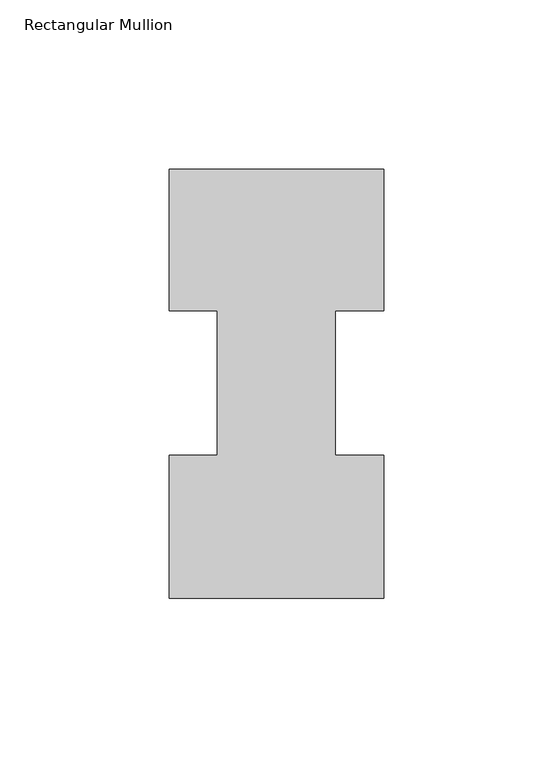
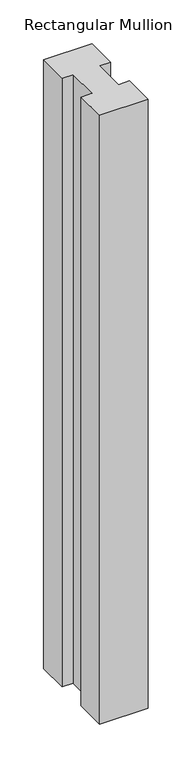
"""IFC4 building model written with IfcOpenShell, lengths in millimetres: member geometry, Rectangular Mullion."""

from ifc_helpers import new_model, si_unit, frame, origin, place, context, project, spatial, polyline, outline, extrude, source, transform, mapped, element, save


def rectangular_mullion_286bac2f(model_context):
    return source(origin(), model_context, "Body", "SweptSolid", [
        extrude(outline(polyline([(-31.75, 6.6365438), (-31.75, 48.9275438), (-17.4625, 48.9275438), (-17.4625, 91.7773438), (-31.75, 91.7773438), (-31.75, 133.6365438), (31.75, 133.6365438), (31.75, 91.7773438), (17.4625, 91.7773438), (17.4625, 48.9275438), (31.75, 48.9275438), (31.75, 6.6365438), (-31.75, 6.6365438)])), frame((0.0, 0.0, -844.55), z_axis=(0.0, 0.0, 1.0), x_axis=(1.0, 0.0, 0.0)), (0.0, 0.0, 1.0), 844.55),
    ])


if __name__ == "__main__":
    model = new_model("IFC4")
    model_context = context("Model", 3, world=origin())
    ifc_project = project(units=[si_unit("LENGTHUNIT", "METRE", prefix="MILLI")], contexts=[model_context])
    site = spatial("IfcSite", under=ifc_project)
    building = spatial("IfcBuilding", under=site)
    placement = place(None, origin())
    rectangular_mullion_shape = rectangular_mullion_286bac2f(model_context)
    element("IfcMember", 1, ObjectType="Rectangular Mullion", at=placement, inside=building, context=model_context, shape_type="MappedRepresentation", body=[
        mapped(rectangular_mullion_shape, transform((0.0, 0.0, 0.0), x_axis=(1.0, 0.0, 0.0), y_axis=(0.0, 1.0, 0.0), z_axis=(0.0, 0.0, 1.0))),
    ])
    save(model, "model.ifc")
